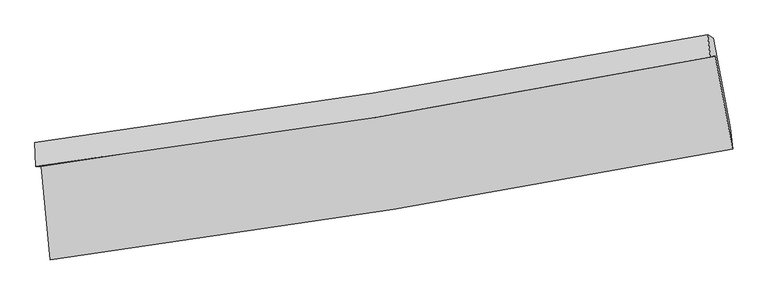
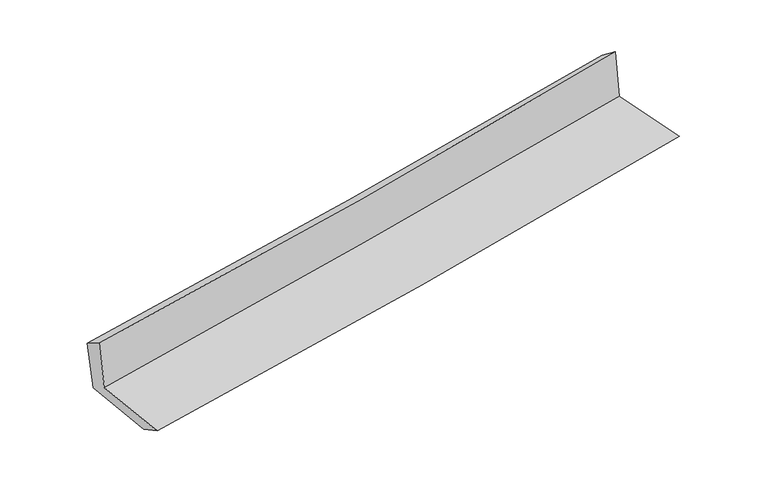
"""IFC4 building model written with IfcOpenShell, lengths in millimetres: proxy geometry."""

from ifc_helpers import new_model, si_unit, frame, origin, place, context, project, spatial, source, transform, mapped, element, save
from ifc_brep_helpers import plane_surface, spline_curve, spline_surface, advanced_brep


def generic_models_cc8f0fac(model_context):
    return source(origin(), model_context, "Body", "AdvancedBrep", [
        advanced_brep(
        [(-2408.7499606, -1888.2137155, 1658.1228264), (-2344.3161172, -2548.3175179, 1652.1617862), (2482.6732511, -1765.2212553, 2098.1811328), (2360.616766, -1108.1355792, 2099.1677393), (-2444.6578141, -1888.7683852, 2069.0041752), (2324.9798711, -1113.7836935, 2507.4618662), (-2451.8157899, -1718.7215169, 1962.6756932), (2306.3835655, -956.5397882, 2389.5854957), (-2415.1260956, -1742.0955155, 1569.3321889), (2346.4550009, -979.7901589, 1991.6372432), (-2353.8869852, -2364.5498941, 1558.2235438), (2464.8321392, -1614.3511504, 1985.0672165)],
        [
            (0, 1),
            (1, 2, spline_curve(3, [(-2344.3161172, -2548.3175179, 1652.1617862), (-1534.417735518, -2442.781462044, 1731.982088145), (-726.105022926, -2324.538661018, 1809.156558444), (882.873889505, -2063.365987872, 1957.800401005), (1683.557633083, -1920.576701236, 2029.299046111), (2482.6732511, -1765.2212553, 2098.1811328)], [4, 2, 4], [0.0, 8.030992855752627, 16.017435208699737])),
            (2, 3),
            (3, 0, spline_curve(3, [(2360.616766, -1108.1355792, 2099.1677393), (1570.529949379, -1254.281142874, 2031.322851613), (779.148375005, -1392.202566777, 1960.756481437), (-810.626048531, -1652.320621022, 1813.771957601), (-1609.033383023, -1774.42524241, 1737.323356549), (-2408.7499606, -1888.2137155, 1658.1228264)], [4, 2, 4], [0.0, 7.98644235294711, 16.017435208699737])),
            (4, 0),
            (3, 5),
            (5, 4, spline_curve(3, [(2324.9798711, -1113.7836935, 2507.4618662), (1536.329009359, -1270.583402849, 2440.697026444), (745.64495499, -1413.424620389, 2370.886586305), (-844.21152655, -1671.909013785, 2224.768095897), (-1643.406700755, -1787.396026937, 2148.425972209), (-2444.6578141, -1888.7683852, 2069.0041752)], [4, 2, 4], [0.0, 7.9388349445682485, 15.921954825136819])),
            (6, 4),
            (5, 7),
            (7, 6, spline_curve(3, [(2306.3835655, -956.5397882, 2389.5854957), (1518.971565825, -1104.592555607, 2321.61716887), (729.856564675, -1241.987150969, 2252.160290106), (-856.190834346, -1496.16696736, 2109.873675783), (-1653.142285017, -1612.832947929, 2037.027287306), (-2451.8157899, -1718.7215169, 1962.6756932)], [4, 2, 4], [0.0, 7.92666737822129, 15.897551818516725])),
            (8, 6),
            (7, 9),
            (9, 8, spline_curve(3, [(2346.4550009, -979.7901589, 1991.6372432), (1557.971247134, -1127.599553164, 1929.345820186), (768.038632234, -1264.882368462, 1863.116885426), (-819.138857512, -1519.10192159, 1722.392585445), (-1616.399941065, -1635.920891704, 1647.85316863), (-2415.1260956, -1742.0955155, 1569.3321889)], [4, 2, 4], [0.0, 7.916989792286428, 15.878142662494822])),
            (10, 8),
            (9, 11),
            (11, 10, spline_curve(3, [(2464.8321392, -1614.3511504, 1985.0672165), (1665.601196856, -1757.448666876, 1921.985925396), (865.544989508, -1891.365710621, 1854.984841017), (-740.685486095, -2141.534666198, 1712.747470236), (-1546.868986724, -2257.683870581, 1637.46733011), (-2353.8869852, -2364.5498941, 1558.2235438)], [4, 2, 4], [0.0, 7.964096669391177, 15.972619191412742])),
            (1, 10),
            (11, 2),
        ],
        [
            spline_surface(3, 3, [[(-2408.7499606, -1888.2137155, 1658.1228264), (-1609.033383102, -1774.425242489, 1737.323356571), (-810.626048551, -1652.320621014, 1813.771957536), (779.148375025, -1392.202566785, 1960.756481502), (1570.529949332, -1254.281142827, 2031.322851523), (2360.616766, -1108.1355792, 2099.1677393)], [(-2387.272012818, -2108.248316283, 1656.135813), (-1584.161500589, -1997.210649022, 1735.542933805), (-782.452373357, -1876.393301057, 1812.233491219), (813.723546521, -1615.923707135, 1959.771121317), (1608.205843897, -1476.379662307, 2030.648249738), (2401.302261032, -1327.164137901, 2098.838870447)], [(-2365.794064982, -2328.282917117, 1654.1487996), (-1559.289618024, -2219.996055606, 1733.76251104), (-754.278698146, -2100.465981055, 1810.69502486), (848.298718034, -1839.644847441, 1958.78576109), (1645.881738466, -1698.478181782, 2029.973648012), (2441.987756068, -1546.192696599, 2098.510001653)], [(-2344.3161172, -2548.3175179, 1652.1617862), (-1534.417735511, -2442.781462138, 1731.982088274), (-726.105022952, -2324.538661099, 1809.156558544), (882.87388953, -2063.365987792, 1957.800400906), (1683.55763303, -1920.576701262, 2029.299046227), (2482.6732511, -1765.2212553, 2098.1811328)]], [4, 4], [4, 2, 4], [0.0, 2.2252603330164225], [0.0, 8.030992855752627, 16.017435208699737]),
            spline_surface(3, 3, [[(-2444.6578141, -1888.7683852, 2069.0041752), (-1643.406700753, -1787.396026806, 2148.425972081), (-844.211526652, -1671.909013729, 2224.768095825), (745.644955091, -1413.424620445, 2370.886586377), (1536.329009411, -1270.58340295, 2440.697026315), (2324.9798711, -1113.7836935, 2507.4618662)], [(-2432.688529599, -1888.583495314, 1932.043725602), (-1631.948928201, -1783.072432048, 2011.391766913), (-833.016367275, -1665.37954947, 2087.769383053), (756.812761746, -1406.350602538, 2234.17655141), (1547.729322734, -1265.149316253, 2304.23896805), (2336.858836083, -1111.900988744, 2371.3638239)], [(-2420.719245101, -1888.398605386, 1795.083275998), (-1620.491155653, -1778.748837247, 1874.357561739), (-821.821207928, -1658.850085272, 1950.770670308), (767.980568371, -1399.276584692, 2097.466516469), (1559.129636009, -1259.715229524, 2167.780909787), (2348.737801017, -1110.018283956, 2235.2657816)], [(-2408.7499606, -1888.2137155, 1658.1228264), (-1609.033383102, -1774.425242489, 1737.323356571), (-810.626048551, -1652.320621014, 1813.771957536), (779.148375025, -1392.202566785, 1960.756481502), (1570.529949332, -1254.281142827, 2031.322851523), (2360.616766, -1108.1355792, 2099.1677393)]], [4, 4], [4, 2, 4], [0.0, 1.3531445300312201], [0.0, 7.98311988056857, 15.921954825136819]),
            spline_surface(3, 3, [[(-2451.8157899, -1718.7215169, 1962.6756932), (-1653.142285071, -1612.832948059, 2037.027287261), (-856.190834443, -1496.166967232, 2109.873675894), (729.856564772, -1241.987151097, 2252.160289996), (1518.971565942, -1104.5925557, 2321.617168863), (2306.3835655, -956.5397882, 2389.5854957)], [(-2449.429797975, -1775.403806327, 1998.118520551), (-1649.897090306, -1671.020640968, 2074.160182218), (-852.197731841, -1554.747649399, 2148.171815849), (735.11936155, -1299.132974215, 2291.735722101), (1524.757380412, -1159.922838118, 2361.31045469), (2312.582334014, -1008.954423301, 2428.87761921)], [(-2447.043806025, -1832.086095773, 2033.561347849), (-1646.651895517, -1729.208333897, 2111.293077124), (-848.204629254, -1613.328331561, 2186.46995587), (740.382158313, -1356.278797327, 2331.311154271), (1530.543194941, -1215.253120532, 2401.003740488), (2318.781102586, -1061.369058399, 2468.16974269)], [(-2444.6578141, -1888.7683852, 2069.0041752), (-1643.406700753, -1787.396026806, 2148.425972081), (-844.211526652, -1671.909013729, 2224.768095825), (745.644955091, -1413.424620445, 2370.886586377), (1536.329009411, -1270.58340295, 2440.697026315), (2324.9798711, -1113.7836935, 2507.4618662)]], [4, 4], [4, 2, 4], [0.0, 0.6879770481456926], [0.0, 7.970884440295435, 15.897551818516725]),
            spline_surface(3, 3, [[(-2415.1260956, -1742.0955155, 1569.3321889), (-1616.399941139, -1635.920891794, 1647.853168742), (-819.138857391, -1519.101921634, 1722.392585468), (768.038632114, -1264.882368418, 1863.116885403), (1557.97124715, -1127.599553055, 1929.345820104), (2346.4550009, -979.7901589, 1991.6372432)], [(-2427.355993677, -1734.304182631, 1700.446690321), (-1628.647389093, -1628.224910547, 1777.577874902), (-831.489516408, -1511.456936831, 1851.552948961), (755.311276333, -1257.250629309, 1992.798020285), (1544.971353413, -1119.930553935, 2060.102936341), (2333.097855766, -972.040035331, 2124.286660684)], [(-2439.585891823, -1726.512849769, 1831.561191779), (-1640.894837117, -1620.528929306, 1907.3025811), (-843.840175426, -1503.811952034, 1980.713312401), (742.583920553, -1249.618890206, 2122.479155114), (1531.971459679, -1112.261554821, 2190.860052625), (2319.740710634, -964.289911769, 2256.936078216)], [(-2451.8157899, -1718.7215169, 1962.6756932), (-1653.142285071, -1612.832948059, 2037.027287261), (-856.190834443, -1496.166967232, 2109.873675894), (729.856564772, -1241.987151097, 2252.160289996), (1518.971565942, -1104.5925557, 2321.617168863), (2306.3835655, -956.5397882, 2389.5854957)]], [4, 4], [4, 2, 4], [0.0, 1.2819822745979812], [0.0, 7.9611528702083945, 15.878142662494822]),
            spline_surface(3, 3, [[(-2353.8869852, -2364.5498941, 1558.2235438), (-1546.868986638, -2257.683870499, 1637.467330241), (-740.685485963, -2141.534666304, 1712.747470153), (865.544989377, -1891.365710515, 1854.9848411), (1665.601196869, -1757.448666761, 1921.985925444), (2464.8321392, -1614.3511504, 1985.0672165)], [(-2374.300022023, -2157.065101254, 1561.926425497), (-1570.045971494, -2050.429544285, 1640.929276405), (-766.836609782, -1934.057084767, 1715.962508598), (833.04287028, -1682.537929837, 1857.695522541), (1629.724546981, -1547.498962183, 1924.439223675), (2425.373093119, -1402.830819891, 1987.257225412)], [(-2394.713058777, -1949.580308346, 1565.629307203), (-1593.222956282, -1843.175218008, 1644.391222578), (-792.987733572, -1726.57950317, 1719.177547023), (800.540751211, -1473.710149097, 1860.406203963), (1593.847897037, -1337.549257633, 1926.892521872), (2385.914046981, -1191.310489409, 1989.447234288)], [(-2415.1260956, -1742.0955155, 1569.3321889), (-1616.399941139, -1635.920891794, 1647.853168742), (-819.138857391, -1519.101921634, 1722.392585468), (768.038632114, -1264.882368418, 1863.116885403), (1557.97124715, -1127.599553055, 1929.345820104), (2346.4550009, -979.7901589, 1991.6372432)]], [4, 4], [4, 2, 4], [0.0, 2.0691257011080366], [0.0, 8.008522522021565, 15.972619191412742]),
            spline_surface(3, 3, [[(-2344.3161172, -2548.3175179, 1652.1617862), (-1534.417735511, -2442.781462138, 1731.982088274), (-726.105022952, -2324.538661099, 1809.156558544), (882.87388953, -2063.365987792, 1957.800400906), (1683.55763303, -1920.576701262, 2029.299046227), (2482.6732511, -1765.2212553, 2098.1811328)], [(-2347.506406509, -2487.061643291, 1620.84903873), (-1538.568152529, -2381.082264916, 1700.477168926), (-730.965177289, -2263.537329485, 1777.020195739), (877.097589479, -2006.032562018, 1923.528547629), (1677.572154297, -1866.200689759, 1993.52800598), (2476.726213787, -1714.931220331, 2060.476494047)], [(-2350.696695891, -2425.805768709, 1589.53629127), (-1542.71856962, -2319.383067721, 1668.972249589), (-735.825331626, -2202.535997917, 1744.883832958), (871.321289428, -1948.699136289, 1889.256694377), (1671.586675602, -1811.824678263, 1957.756965691), (2470.779176513, -1664.641185369, 2022.771855253)], [(-2353.8869852, -2364.5498941, 1558.2235438), (-1546.868986638, -2257.683870499, 1637.467330241), (-740.685485963, -2141.534666304, 1712.747470153), (865.544989377, -1891.365710515, 1854.9848411), (1665.601196869, -1757.448666761, 1921.985925444), (2464.8321392, -1614.3511504, 1985.0672165)]], [4, 4], [4, 2, 4], [0.0, 0.66989597238773], [0.0, 8.066055977821204, 16.08736694641083]),
            plane_surface(frame((2380.990099, -1256.3036043, 2178.5167823), z_axis=(0.9793912456106689, 0.18179399955419662, 0.08799846445973555), x_axis=(-0.10001958644557866, 0.05803367010468523, 0.9932915863236917))),
            plane_surface(frame((-2403.0921271, -2025.1110909, 1744.9200356), z_axis=(-0.9915899764911654, -0.09600704126489774, -0.08678690310070075), x_axis=(-0.09714603260674361, 0.995229559125775, 0.008987379544947854))),
        ],
        [
            (0, [[1, 2, 3, 4]]),
            (1, [[5, -4, 6, 7]]),
            (2, [[8, -7, 9, 10]]),
            (3, [[11, -10, 12, 13]]),
            (4, [[14, -13, 15, 16]]),
            (5, [[17, -16, 18, -2]]),
            (6, [[-12, -9, -6, -3, -18, -15]]),
            (7, [[-1, -5, -8, -11, -14, -17]]),
        ],
    ),
    ])


if __name__ == "__main__":
    model = new_model("IFC4")
    model_context = context("Model", 3, world=origin())
    ifc_project = project(units=[si_unit("LENGTHUNIT", "METRE", prefix="MILLI")], contexts=[model_context])
    site = spatial("IfcSite", under=ifc_project)
    building = spatial("IfcBuilding", under=site)
    placement = place(None, origin())
    generic_models_shape = generic_models_cc8f0fac(model_context)
    element("IfcBuildingElementProxy", 1, Name="Generic Models", at=placement, inside=building, context=model_context, shape_type="MappedRepresentation", body=[
        mapped(generic_models_shape, transform((0.0, 0.0, 0.0), x_axis=(1.0, 0.0, 0.0), y_axis=(0.0, 1.0, 0.0), z_axis=(0.0, 0.0, 1.0))),
    ])
    save(model, "model.ifc")
